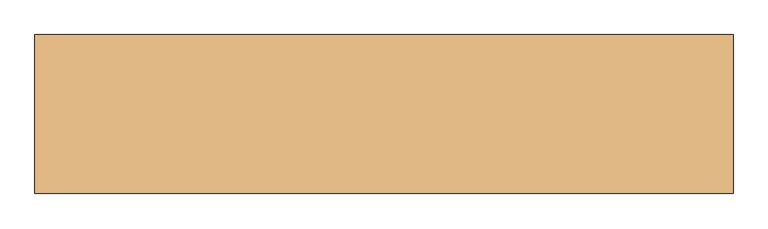
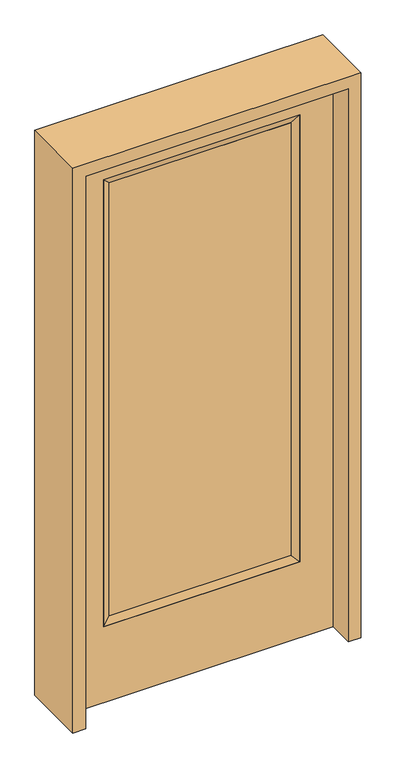
"""IFC4 building model written with IfcOpenShell, lengths in millimetres: door geometry."""

from ifc_helpers import new_model, si_unit, frame, origin, place, context, project, spatial, polyline, outline, extrude, faceted_brep, source, transform, mapped, element, save


def door_4574c192(model_context):
    return source(origin(), model_context, "Body", "SolidModel", [
        extrude(outline(polyline([(316.3824, -12.7039749), (-316.3824, -12.7039749), (-316.3824, 14.2875), (316.3824, 14.2875), (316.3824, -12.7039749)])), frame((0.0, 0.0, 304.8), z_axis=(0.0, 0.0, 1.0), x_axis=(1.0, 0.0, 0.0)), (0.0, 0.0, 1.0), 1591.1576),
        faceted_brep([(316.3824, 14.2875, 1895.9576), (341.7824, 22.225, 1921.3576), (341.7824, 22.225, 279.4), (316.3824, 14.2875, 304.8), (341.7824, -22.225, 1921.3576), (341.7824, -22.225, 279.4), (-341.7824, 22.225, 279.4), (-316.3824, 14.2875, 304.8), (316.3824, -12.7039749, 1895.9576), (316.3824, -12.7039749, 304.8), (-316.3824, -12.7039749, 304.8), (-341.7824, -22.225, 279.4), (-341.7824, 22.225, 1921.3576), (-316.3824, 14.2875, 1895.9576), (-316.3824, -12.7039749, 1895.9576), (-341.7824, -22.225, 1921.3576)], [[[0, 1, 2, 3]], [[1, 4, 5, 2]], [[3, 2, 6, 7]], [[8, 0, 3, 9]], [[9, 3, 7, 10]], [[4, 8, 9, 5]], [[5, 9, 10, 11]], [[2, 5, 11, 6]], [[7, 6, 12, 13]], [[10, 7, 13, 14]], [[11, 10, 14, 15]], [[6, 11, 15, 12]], [[13, 12, 1, 0]], [[14, 13, 0, 8]], [[15, 14, 8, 4]], [[12, 15, 4, 1]]]),
        extrude(outline(polyline([(0.0, -457.2), (0.0, 457.2), (2032.0, 457.2), (2032.0, -457.2), (0.0, -457.2)]), holes=[polyline([(279.4, -341.7824), (1921.3576, -341.7824), (1921.3576, 341.7824), (279.4, 341.7824), (279.4, -341.7824)])]), frame((0.0, -22.225, 0.0), z_axis=(0.0, 1.0, 0.0), x_axis=(0.0, 0.0, 1.0)), (0.0, 0.0, 1.0), 44.45),
        extrude(outline(polyline([(0.0, -501.65), (0.0, -457.2), (2032.0, -457.2), (2032.0, 457.2), (0.0, 457.2), (0.0, 501.65), (2076.45, 501.65), (2076.45, -501.65), (0.0, -501.65)])), frame((0.0, -114.3, 0.0), z_axis=(0.0, 1.0, 0.0), x_axis=(0.0, 0.0, 1.0)), (0.0, 0.0, 1.0), 228.6),
    ])


if __name__ == "__main__":
    model = new_model("IFC4")
    model_context = context("Model", 3, world=origin())
    ifc_project = project(units=[si_unit("LENGTHUNIT", "METRE", prefix="MILLI")], contexts=[model_context])
    site = spatial("IfcSite", under=ifc_project)
    building = spatial("IfcBuilding", under=site)
    placement = place(None, origin())
    door_shape = door_4574c192(model_context)
    element("IfcDoor", 1, at=placement, inside=building, context=model_context, shape_type="MappedRepresentation", body=[
        mapped(door_shape, transform((0.0, 0.0, 0.0), x_axis=(1.0, 0.0, 0.0), y_axis=(0.0, 1.0, 0.0), z_axis=(0.0, 0.0, 1.0))),
    ])
    save(model, "model.ifc")
